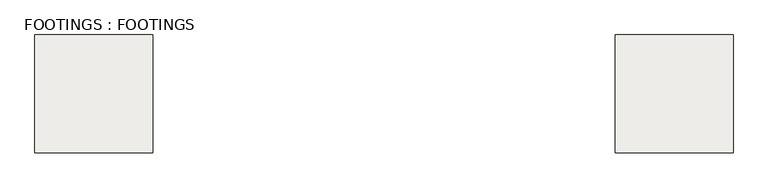
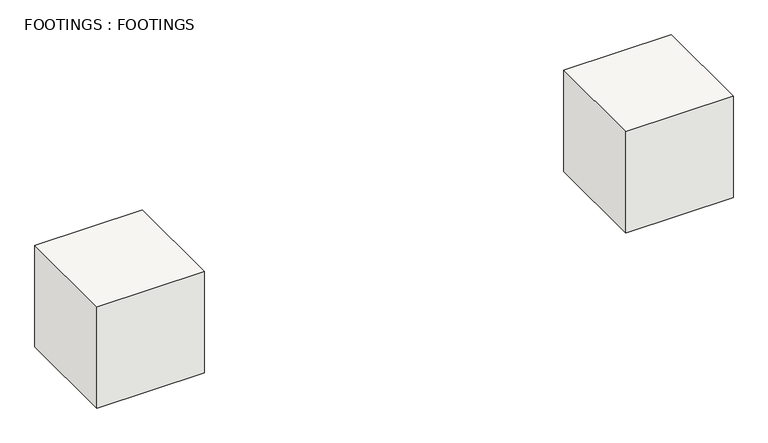
"""IFC4 building model written with IfcOpenShell, lengths in millimetres: slab geometry, FOOTINGS : FOOTINGS."""

from ifc_helpers import new_model, si_unit, frame, origin, place, context, project, spatial, polyline, outline, extrude, source, transform, mapped, element, save


def footings_footings_56ddd0dc(model_context):
    return source(origin(), model_context, "Body", "SweptSolid", [
        extrude(outline(polyline([(15991.1801897, -1379.4994731), (15991.1801897, -1979.4994731), (15391.1801897, -1979.4994731), (15391.1801897, -1379.4994731), (15991.1801897, -1379.4994731)])), frame((0.0, 0.0, -930.0), z_axis=(0.0, 0.0, 1.0), x_axis=(1.0, 0.0, 0.0)), (0.0, 0.0, 1.0), 600.0),
        extrude(outline(polyline([(18951.1801897, -1379.4994731), (18951.1801897, -1979.4994731), (18351.1801897, -1979.4994731), (18351.1801897, -1379.4994731), (18951.1801897, -1379.4994731)])), frame((0.0, 0.0, -930.0), z_axis=(0.0, 0.0, 1.0), x_axis=(1.0, 0.0, 0.0)), (0.0, 0.0, 1.0), 600.0),
    ])


if __name__ == "__main__":
    model = new_model("IFC4")
    model_context = context("Model", 3, world=origin())
    ifc_project = project(units=[si_unit("LENGTHUNIT", "METRE", prefix="MILLI")], contexts=[model_context])
    site = spatial("IfcSite", under=ifc_project)
    building = spatial("IfcBuilding", under=site)
    placement = place(None, origin())
    footings_footings_shape = footings_footings_56ddd0dc(model_context)
    element("IfcSlab", 1, ObjectType="FOOTINGS : FOOTINGS", at=placement, inside=building, context=model_context, shape_type="MappedRepresentation", body=[
        mapped(footings_footings_shape, transform((0.0, 0.0, 0.0), x_axis=(1.0, 0.0, 0.0), y_axis=(0.0, 1.0, 0.0), z_axis=(0.0, 0.0, 1.0))),
    ])
    save(model, "model.ifc")
